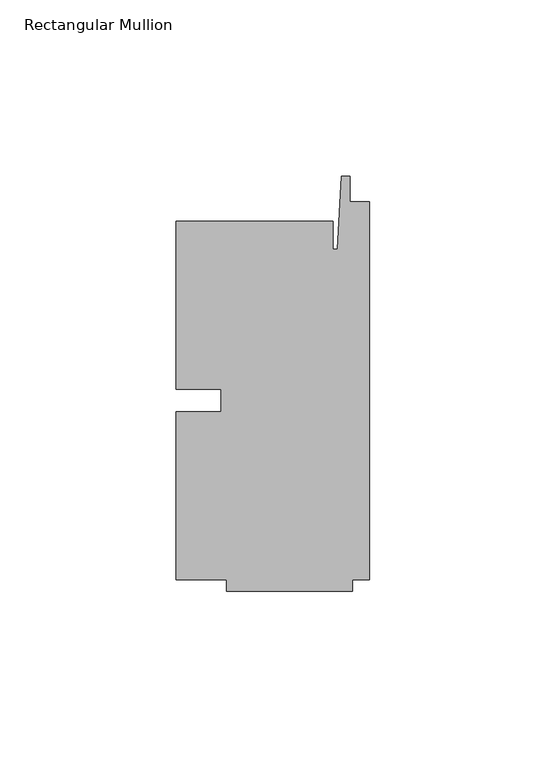
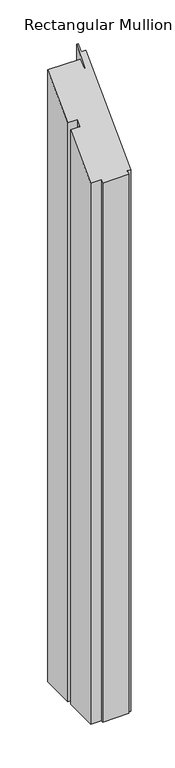
"""IFC4 building model written with IfcOpenShell, lengths in millimetres: member geometry, Rectangular Mullion."""

from ifc_helpers import new_model, si_unit, origin, place, context, project, spatial, faceted_brep, source, transform, mapped, element, save


def rectangular_mullion_f81ea60c(model_context):
    return source(origin(), model_context, "Body", "Brep", [
        faceted_brep([(-42.06875, -3.175, -830.7916667), (-42.06875, 3.175, -830.7916667), (-54.76875, 3.175, -830.7916667), (-54.76875, 50.8, -830.7916667), (-10.31875, 50.8, -830.7916667), (-10.31875, 42.8625, -830.7916667), (-9.0190655, 42.8625, -830.7916667), (-7.9375, 63.5, -830.7916667), (-5.55625, 63.5, -830.7916667), (-5.55625, 56.35625, -830.7916667), (0.0, 56.35625, -830.7916667), (0.0, -50.8, -830.7916667), (-4.7625, -50.8, -830.7916667), (-4.7625, -53.975, -830.7916667), (-40.48125, -53.975, -830.7916667), (-40.48125, -50.8, -830.7916667), (-54.76875, -50.8, -830.7916667), (-54.76875, -3.175, -830.7916667), (-54.76875, -3.175, -3.175), (-42.06875, -3.175, -3.175), (-54.76875, -50.8, -50.8), (-40.48125, -50.8, -50.8), (-40.48125, -53.975, -53.975), (-4.7625, -53.975, -53.975), (-4.7625, -50.8, -50.8), (0.0, -50.8, -50.8), (0.0, 56.35625, 56.35625), (-5.55625, 56.35625, 56.35625), (-5.55625, 63.5, 63.5), (-7.9375, 63.5, 63.5), (-9.0190655, 42.8625, 42.8625), (-10.31875, 42.8625, 42.8625), (-10.31875, 50.8, 50.8), (-54.76875, 50.8, 50.8), (-54.76875, 3.175, 3.175), (-42.06875, 3.175, 3.175)], [[[0, 1, 2, 3, 4, 5, 6, 7, 8, 9, 10, 11, 12, 13, 14, 15, 16, 17]], [[18, 19, 0, 17]], [[20, 18, 17, 16]], [[21, 20, 16, 15]], [[22, 21, 15, 14]], [[23, 22, 14, 13]], [[24, 23, 13, 12]], [[25, 24, 12, 11]], [[26, 25, 11, 10]], [[27, 26, 10, 9]], [[28, 27, 9, 8]], [[29, 28, 8, 7]], [[30, 29, 7, 6]], [[31, 30, 6, 5]], [[32, 31, 5, 4]], [[33, 32, 4, 3]], [[34, 33, 3, 2]], [[35, 34, 2, 1]], [[19, 35, 1, 0]], [[19, 18, 20, 21, 22, 23, 24, 25, 26, 27, 28, 29, 30, 31, 32, 33, 34, 35]]]),
    ])


if __name__ == "__main__":
    model = new_model("IFC4")
    model_context = context("Model", 3, world=origin())
    ifc_project = project(units=[si_unit("LENGTHUNIT", "METRE", prefix="MILLI")], contexts=[model_context])
    site = spatial("IfcSite", under=ifc_project)
    building = spatial("IfcBuilding", under=site)
    placement = place(None, origin())
    rectangular_mullion_shape = rectangular_mullion_f81ea60c(model_context)
    element("IfcMember", 1, ObjectType="Rectangular Mullion", at=placement, inside=building, context=model_context, shape_type="MappedRepresentation", body=[
        mapped(rectangular_mullion_shape, transform((0.0, 0.0, 0.0), x_axis=(1.0, 0.0, 0.0), y_axis=(0.0, 1.0, 0.0), z_axis=(0.0, 0.0, 1.0))),
    ])
    save(model, "model.ifc")
